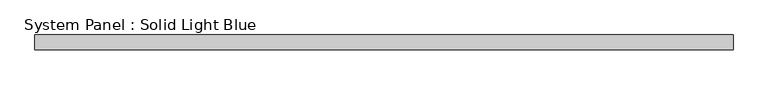
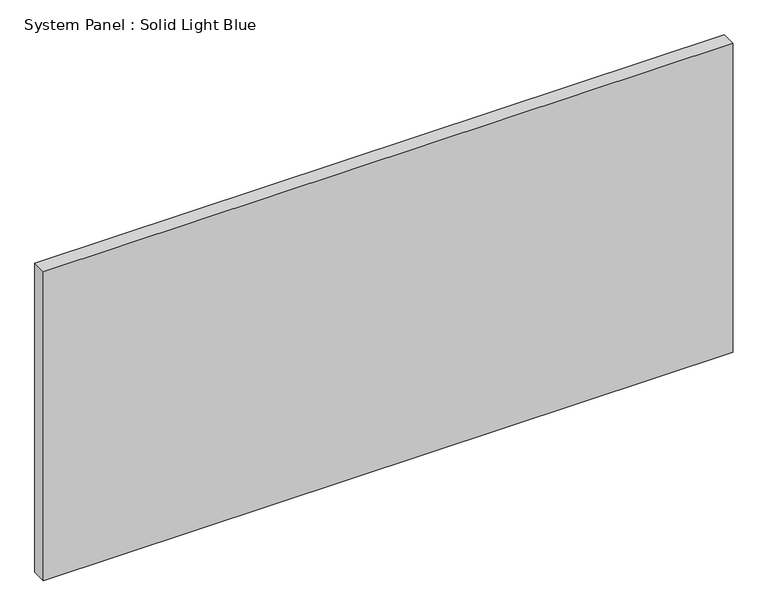
"""IFC4 building model written with IfcOpenShell, lengths in millimetres: plate geometry, System Panel : Solid Light Blue."""

from ifc_helpers import new_model, si_unit, origin, origin_with_axes, place, context, project, spatial, polyline, outline, extrude, source, transform, mapped, element, save


def system_panel_solid_light_blue_75dafa44(model_context):
    return source(origin(), model_context, "Body", "SweptSolid", [
        extrude(outline(polyline([(1425.0, -30.0), (-1425.0, -30.0), (-1425.0, 30.0), (1425.0, 30.0), (1425.0, -30.0)])), origin_with_axes(), (0.0, 0.0, 1.0), 1350.0),
    ])


if __name__ == "__main__":
    model = new_model("IFC4")
    model_context = context("Model", 3, world=origin())
    ifc_project = project(units=[si_unit("LENGTHUNIT", "METRE", prefix="MILLI")], contexts=[model_context])
    site = spatial("IfcSite", under=ifc_project)
    building = spatial("IfcBuilding", under=site)
    placement = place(None, origin())
    system_panel_solid_light_blue_shape = system_panel_solid_light_blue_75dafa44(model_context)
    element("IfcPlate", 1, ObjectType="System Panel : Solid Light Blue", at=placement, inside=building, context=model_context, shape_type="MappedRepresentation", body=[
        mapped(system_panel_solid_light_blue_shape, transform((0.0, 0.0, 0.0), x_axis=(1.0, 0.0, 0.0), y_axis=(0.0, 1.0, 0.0), z_axis=(0.0, 0.0, 1.0))),
    ])
    save(model, "model.ifc")
